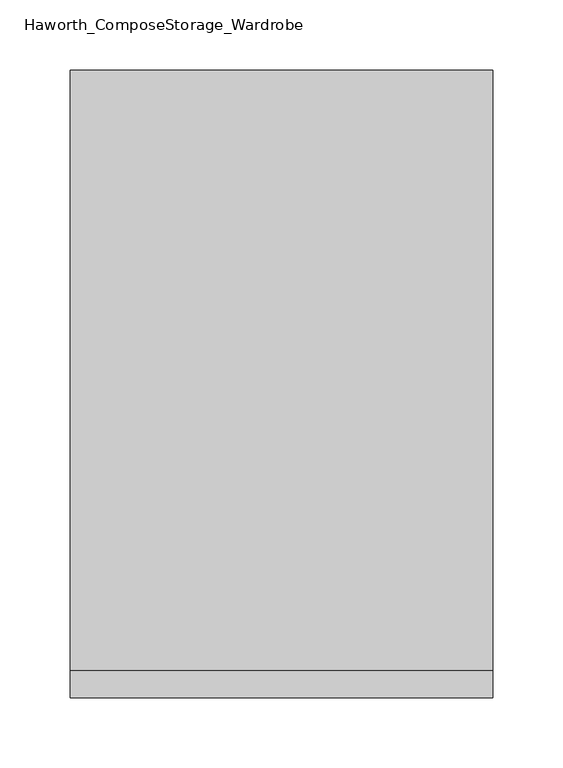
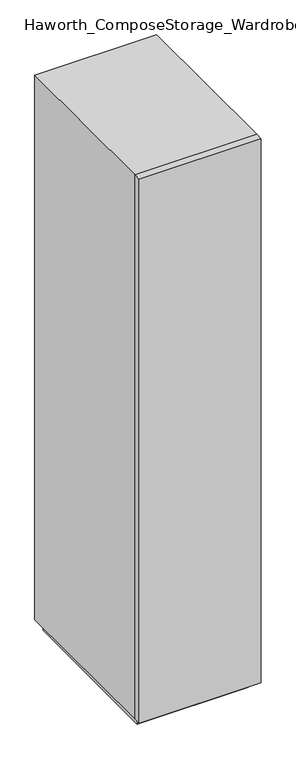
"""IFC4 building model written with IfcOpenShell, lengths in millimetres: furniture geometry, Haworth_ComposeStorage_Wardrobe."""

from ifc_helpers import new_model, si_unit, frame, origin, origin_with_axes, place, context, project, spatial, polyline, outline, extrude, faceted_brep, source, transform, mapped, element, save


def haworth_composestorage_wardrobe_8f86eb45(model_context):
    return source(origin(), model_context, "Body", "SolidModel", [
        extrude(outline(polyline([(150.8263906, -233.3625), (-150.7986094, -233.3625), (-150.7986094, -214.3125), (150.8263906, -214.3125), (150.8263906, -233.3625)])), frame((0.0, 0.0, 25.4), z_axis=(0.0, 0.0, 1.0), x_axis=(1.0, 0.0, 0.0)), (0.0, 0.0, 1.0), 1422.4),
        faceted_brep([(-150.7986094, -214.3125, 25.4), (150.8263906, -214.3125, 25.4), (150.8263906, -214.3125, 1447.8), (-150.7986094, -214.3125, 1447.8), (-131.7486094, -214.3125, 44.45), (-131.7486094, -214.3125, 1428.75), (131.7486094, -214.3125, 1428.75), (131.7486094, -214.3125, 44.45), (-150.7986094, 214.3125, 25.4), (-150.7986094, 214.3125, 1447.8), (150.8263906, 214.3125, 1447.8), (150.8263906, 214.3125, 25.4), (-131.7486094, 195.2625, 44.45), (-131.7486094, 195.2625, 1428.75), (131.7486094, 195.2625, 1428.75), (131.7486094, 195.2625, 44.45)], [[[0, 1, 2, 3], [4, 5, 6, 7]], [[8, 9, 10, 11]], [[1, 0, 8, 11]], [[2, 1, 11, 10]], [[3, 2, 10, 9]], [[0, 3, 9, 8]], [[5, 4, 12, 13]], [[6, 5, 13, 14]], [[7, 6, 14, 15]], [[4, 7, 15, 12]], [[13, 12, 15, 14]]]),
        extrude(outline(polyline([(138.1263906, -201.6125), (-138.0986094, -201.6125), (-138.0986094, 201.6125), (138.1263906, 201.6125), (138.1263906, -201.6125)])), origin_with_axes(), (0.0, 0.0, 1.0), 25.4),
    ])


if __name__ == "__main__":
    model = new_model("IFC4")
    model_context = context("Model", 3, world=origin())
    ifc_project = project(units=[si_unit("LENGTHUNIT", "METRE", prefix="MILLI")], contexts=[model_context])
    site = spatial("IfcSite", under=ifc_project)
    building = spatial("IfcBuilding", under=site)
    placement = place(None, origin())
    haworth_composestorage_wardrobe_shape = haworth_composestorage_wardrobe_8f86eb45(model_context)
    element("IfcFurniture", 1, ObjectType="Haworth_ComposeStorage_Wardrobe", at=placement, inside=building, context=model_context, shape_type="MappedRepresentation", body=[
        mapped(haworth_composestorage_wardrobe_shape, transform((0.0, 0.0, 0.0), x_axis=(1.0, 0.0, 0.0), y_axis=(0.0, 1.0, 0.0), z_axis=(0.0, 0.0, 1.0))),
    ])
    save(model, "model.ifc")
